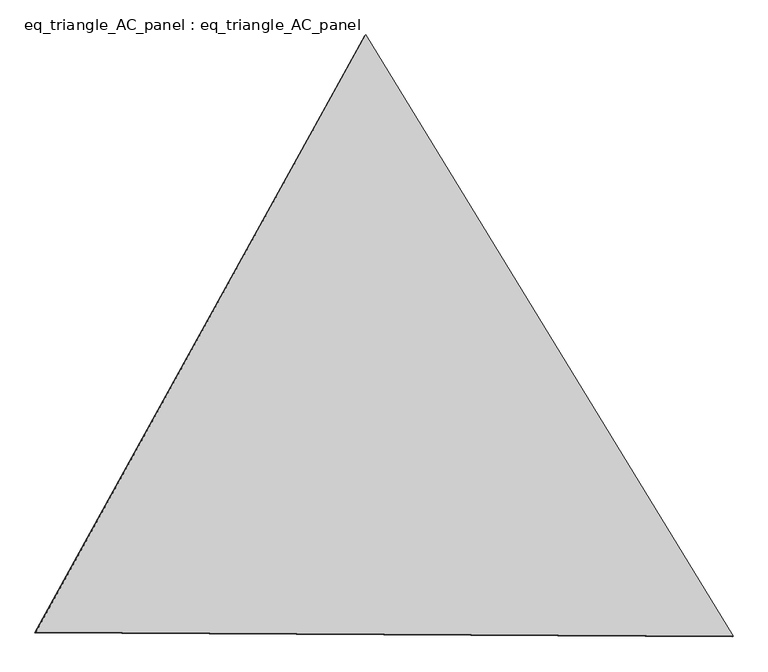
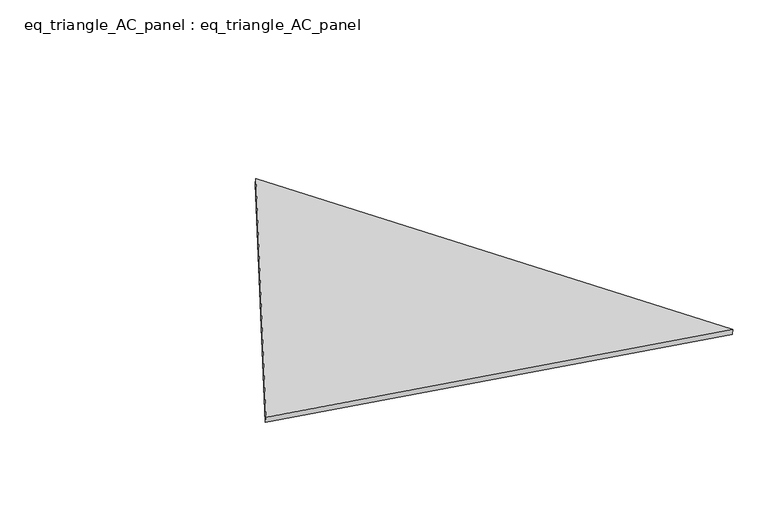
"""IFC4 building model written with IfcOpenShell, lengths in millimetres: proxy geometry, eq_triangle_AC_panel : eq_triangle_AC_panel."""

from ifc_helpers import new_model, si_unit, frame, origin, place, context, project, spatial, polyline, outline, extrude, source, transform, mapped, element, save


def eq_triangle_ac_panel_eq_triangle_ac_panel_8716a94a(model_context):
    return source(origin(), model_context, "Body", "SweptSolid", [
        extrude(outline(polyline([(-2032.8306629, 1173.1700195), (2091.2842302, 1173.1700195), (-58.4535674, -2346.3400392), (-2032.8306629, 1173.1700195)])), frame((-6.3631761, 524.2531996, 46.6143561), z_axis=(0.14526328518033765, 0.08386570281758021, 0.985832197622663), x_axis=(0.5211103640698139, -0.8534790669542812, -0.00417980021957728)), (0.0, 0.0, 1.0), 43.8306294),
    ])


if __name__ == "__main__":
    model = new_model("IFC4")
    model_context = context("Model", 3, world=origin())
    ifc_project = project(units=[si_unit("LENGTHUNIT", "METRE", prefix="MILLI")], contexts=[model_context])
    site = spatial("IfcSite", under=ifc_project)
    building = spatial("IfcBuilding", under=site)
    placement = place(None, origin())
    eq_triangle_ac_panel_eq_triangle_ac_panel_shape = eq_triangle_ac_panel_eq_triangle_ac_panel_8716a94a(model_context)
    element("IfcBuildingElementProxy", 1, Name="eq_triangle_AC_panel : eq_triangle_AC_panel", ObjectType="eq_triangle_AC_panel : eq_triangle_AC_panel", at=placement, inside=building, context=model_context, shape_type="MappedRepresentation", body=[
        mapped(eq_triangle_ac_panel_eq_triangle_ac_panel_shape, transform((0.0, 0.0, 0.0), x_axis=(1.0, 0.0, 0.0), y_axis=(0.0, 1.0, 0.0), z_axis=(0.0, 0.0, 1.0))),
    ])
    save(model, "model.ifc")
